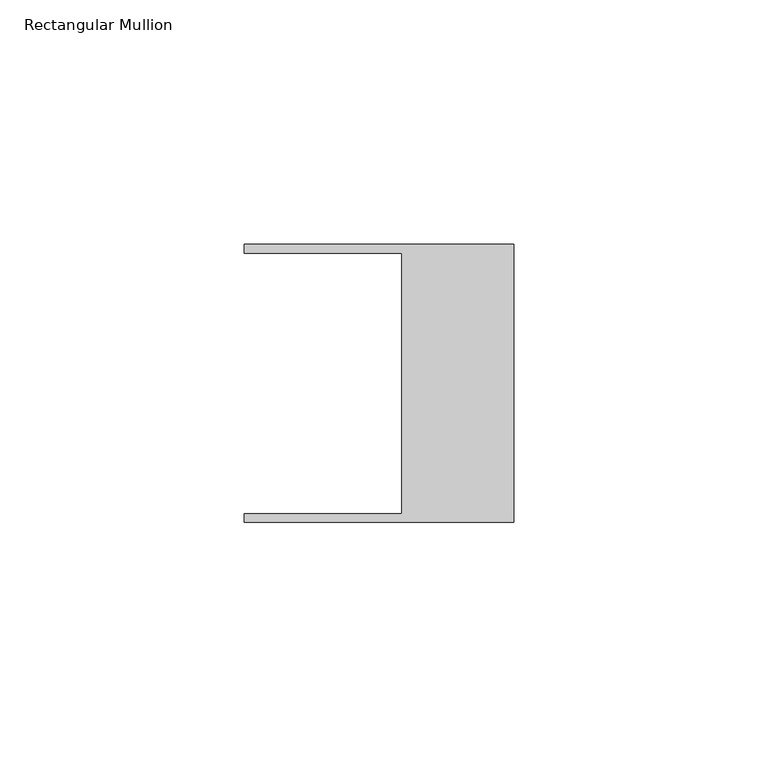
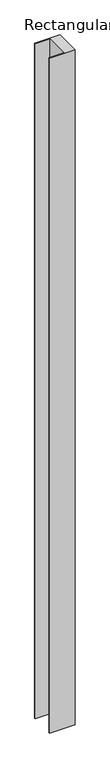
"""IFC4 building model written with IfcOpenShell, lengths in millimetres: member geometry, Rectangular Mullion."""

from ifc_helpers import new_model, si_unit, frame, origin, place, context, project, spatial, polyline, outline, extrude, source, transform, mapped, element, save


def rectangular_mullion_8d110d43(model_context):
    return source(origin(), model_context, "Body", "SweptSolid", [
        extrude(outline(polyline([(-55.118, 26.67), (-55.118, 28.448), (0.0, 28.448), (0.0, -28.448), (-55.118, -28.448), (-55.118, -26.67), (-22.86, -26.67), (-22.86, 26.67), (-55.118, 26.67)])), frame((0.0, 0.0, -1562.1), z_axis=(0.0, 0.0, 1.0), x_axis=(1.0, 0.0, 0.0)), (0.0, 0.0, 1.0), 1562.1),
    ])


if __name__ == "__main__":
    model = new_model("IFC4")
    model_context = context("Model", 3, world=origin())
    ifc_project = project(units=[si_unit("LENGTHUNIT", "METRE", prefix="MILLI")], contexts=[model_context])
    site = spatial("IfcSite", under=ifc_project)
    building = spatial("IfcBuilding", under=site)
    placement = place(None, origin())
    rectangular_mullion_shape = rectangular_mullion_8d110d43(model_context)
    element("IfcMember", 1, ObjectType="Rectangular Mullion", at=placement, inside=building, context=model_context, shape_type="MappedRepresentation", body=[
        mapped(rectangular_mullion_shape, transform((0.0, 0.0, 0.0), x_axis=(1.0, 0.0, 0.0), y_axis=(0.0, 1.0, 0.0), z_axis=(0.0, 0.0, 1.0))),
    ])
    save(model, "model.ifc")
